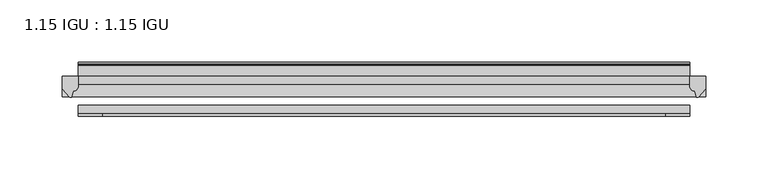
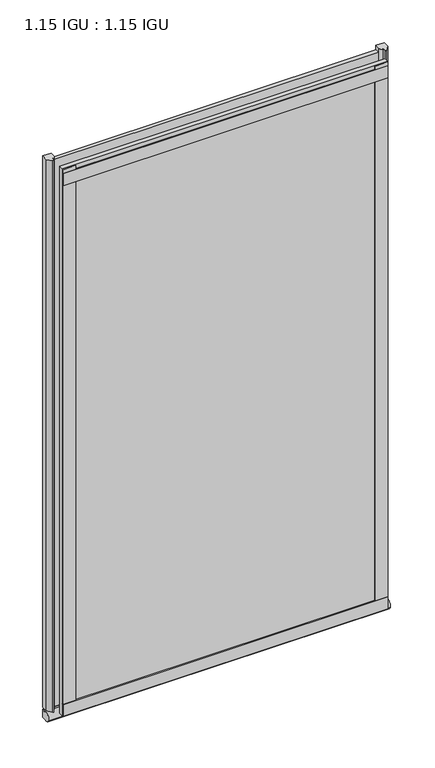
"""IFC4 building model written with IfcOpenShell, lengths in millimetres: plate geometry, 1.15 IGU : 1.15 IGU."""

from ifc_helpers import new_model, si_unit, point, frame, frame_2d, origin, place, context, project, spatial, polyline, circle_curve, ellipse_curve, trimmed, segment, composite_curve, outline, extrude, source, transform, mapped, element, save
from ifc_brep_helpers import plane_surface, revolved_surface, extruded_surface, advanced_brep


def plate_1_15_igu_1_15_igu_051d2c1e(model_context):
    return source(origin(), model_context, "Body", "SolidModel", [
        extrude(outline(polyline([(244.6555931, 0.0), (244.6555931, -6.2992), (-244.6555931, -6.2992), (-244.6555931, 0.0), (244.6555931, 0.0)])), frame((0.0, 0.0, -19.05), z_axis=(0.0, 0.0, 1.0), x_axis=(1.0, 0.0, 0.0)), (0.0, 0.0, 1.0), 869.9368072),
        extrude(outline(polyline([(-244.6555931, -23.1648), (244.6555931, -23.1648), (244.6555931, -29.464), (-244.6555931, -29.464), (-244.6555931, -23.1648)])), frame((0.0, 0.0, -19.05), z_axis=(0.0, 0.0, 1.0), x_axis=(1.0, 0.0, 0.0)), (0.0, 0.0, 1.0), 869.9368072),
        advanced_brep(
        [(257.3555931, -2.9334208, -29.3692082), (257.3555931, -15.7658436, -30.8313288), (257.3555931, -6.7904952, -34.925), (257.3555931, 0.0, -34.925), (257.3555931, 0.0, -22.225), (257.3555931, -2.5187477, -22.225), (-257.3555931, -2.9073519, -29.3720514), (-257.3555931, -2.5187477, -22.225), (-257.3555931, 0.0, -22.225), (-257.3555931, 0.0, -34.925), (-257.3555931, -6.7904952, -34.925), (-257.3555931, -15.7658436, -30.8313288)],
        [
            (0, 1, ellipse_curve(frame((257.3555931, -9.5065066, -28.575), z_axis=(1.0, 0.0, 0.0), x_axis=(0.0, 0.0, -1.0)), 6.9638038, 6.6162554)),
            (1, 2, ellipse_curve(frame((257.3555931, -9.5065066, -28.575), z_axis=(1.0, 0.0, 0.0), x_axis=(0.0, 0.0, -1.0)), 6.9638038, 6.6162554)),
            (2, 3),
            (3, 4, circle_curve(frame((257.3555931, 24.1576838, -28.575), z_axis=(-1.0, 0.0, 0.0), x_axis=(0.0, 0.0, 1.0)), 24.9783143)),
            (4, 5),
            (5, 0, circle_curve(frame((257.3555931, -68.4358767, -22.225), z_axis=(-1.0, 0.0, 0.0), x_axis=(0.0, 0.0, 1.0)), 65.917129)),
            (6, 7, circle_curve(frame((-257.3555931, -68.4358767, -22.225), z_axis=(1.0, 0.0, 0.0), x_axis=(0.0, 0.0, 1.0)), 65.917129)),
            (7, 8),
            (8, 9, circle_curve(frame((-257.3555931, 24.1576838, -28.575), z_axis=(1.0, 0.0, 0.0), x_axis=(0.0, 0.0, 1.0)), 24.9783143)),
            (9, 10),
            (10, 11, ellipse_curve(frame((-257.3555931, -9.5065066, -28.575), z_axis=(-1.0, 0.0, 0.0), x_axis=(0.0, 0.0, -1.0)), 6.9638038, 6.6162554)),
            (11, 6, ellipse_curve(frame((-257.3555931, -9.5065066, -28.575), z_axis=(-1.0, 0.0, 0.0), x_axis=(0.0, 0.0, -1.0)), 6.9638038, 6.6162554)),
            (0, 6),
            (11, 1),
            (10, 2),
            (9, 3),
            (8, 4),
            (7, 5),
        ],
        [
            plane_surface(frame((257.3555931, 0.0, -28.575), z_axis=(1.0, 0.0, 0.0), x_axis=(0.0, 1.0, 0.0))),
            plane_surface(frame((-257.3555931, 0.0, -28.575), z_axis=(-1.0, 0.0, 0.0), x_axis=(0.0, 1.0, 0.0))),
            extruded_surface(trimmed(ellipse_curve(frame((-257.3555931, -9.5065066, -28.575), z_axis=(1.0, 0.0, 0.0), x_axis=(0.0, 0.0, -1.0)), 6.9638038, 6.6162554), [point((-257.3555931, -2.9334208, -29.3692082))], [point((-257.3555931, -15.7658436, -30.8313288))], True, "CARTESIAN"), (514.7111862, 0.0, 0.0), 514.7111862),
            extruded_surface(trimmed(ellipse_curve(frame((-257.3555931, -9.5065066, -28.575), z_axis=(1.0, 0.0, 0.0), x_axis=(0.0, 0.0, -1.0)), 6.9638038, 6.6162554), [point((-257.3555931, -15.7658436, -30.8313288))], [point((-257.3555931, -6.7904952, -34.925))], True, "CARTESIAN"), (514.7111862, 0.0, 0.0), 514.7111862),
            plane_surface(frame((257.3555931, -6.7904952, -34.925), z_axis=(0.0, 0.0, -1.0), x_axis=(-1.0, 0.0, 0.0))),
            revolved_surface(polyline([(-257.3555931, 24.1576838, -3.5966856999999983), (257.3555931, 24.1576838, -3.5966856999999983)]), (257.3555931, 24.1576838, -28.575), (-1.0, 0.0, 0.0)),
            plane_surface(frame((257.3555931, 0.0, -22.225), z_axis=(0.0, 0.0, 1.0), x_axis=(-1.0, 0.0, 0.0))),
            revolved_surface(polyline([(-257.3555931, -68.4358767, 43.692129), (257.3555931, -68.4358767, 43.692129)]), (257.3555931, -68.4358767, -22.225), (-1.0, 0.0, 0.0)),
        ],
        [
            (0, [[1, 2, 3, 4, 5, 6]]),
            (1, [[7, 8, 9, 10, 11, 12]]),
            (2, [[-1, 13, -12, 14]]),
            (3, [[-2, -14, -11, 15]]),
            (4, [[-3, -15, -10, 16]]),
            (5, [[-4, -16, -9, 17]]),
            (6, [[-5, -17, -8, 18]]),
            (7, [[-6, -18, -7, -13]]),
        ],
    ),
        extrude(outline(composite_curve([segment(polyline([(257.3555931, 0.0), (257.3555931, -9.7395025), (251.7893622, -16.3730781)]), True, "CONTINUOUS"), segment(trimmed(circle_curve(frame_2d((250.8356872, -15.7728374)), 1.1268473), [point((251.7893622, -16.3730781))], [point((249.7347343, -16.0130197))], False, "CARTESIAN"), True, "CONTINUOUS"), segment(polyline([(249.7347343, -16.0130197), (248.7545428, -11.7377885)]), True, "CONTINUOUS"), segment(trimmed(circle_curve(frame_2d((248.627091, -7.7683362)), 3.9714979), [point((248.7545428, -11.7377885))], [point((244.6557717, -7.8060014))], False, "CARTESIAN"), True, "CONTINUOUS"), segment(polyline([(244.6557717, -7.8060014), (244.6557717, 0.0), (257.3555931, 0.0)]), True, "CONTINUOUS")], self_intersect=False)), frame((0.0, 0.0, -19.05), z_axis=(0.0, 0.0, 1.0), x_axis=(1.0, 0.0, 0.0)), (0.0, 0.0, 1.0), 877.0742072),
        extrude(outline(composite_curve([segment(polyline([(-244.6555931, 8.8e-06), (-244.6555931, -7.7683362)]), True, "CONTINUOUS"), segment(trimmed(circle_curve(frame_2d((-248.627091, -7.7683362)), 3.9714979), [point((-244.6555931, -7.7683362))], [point((-248.7545428, -11.7377885))], False, "CARTESIAN"), True, "CONTINUOUS"), segment(polyline([(-248.7545428, -11.7377885), (-249.7345773, -16.012436)]), True, "CONTINUOUS"), segment(trimmed(circle_curve(frame_2d((-250.8357864, -15.7723555)), 1.1270758), [point((-249.7345773, -16.012436))], [point((-251.7896258, -16.372764))], False, "CARTESIAN"), True, "CONTINUOUS"), segment(polyline([(-251.7896258, -16.372764), (-257.3555931, -9.7395025), (-257.3555931, 8.8e-06), (-244.6555931, 8.8e-06)]), True, "CONTINUOUS")], self_intersect=False)), frame((0.0, 0.0, -19.05), z_axis=(0.0, 0.0, 1.0), x_axis=(1.0, 0.0, 0.0)), (0.0, 0.0, 1.0), 877.0742072),
        extrude(outline(polyline([(-244.6555931, -31.75), (-244.6555931, -29.464), (244.6555931, -29.464), (244.6555931, -31.75), (-244.6555931, -31.75)])), frame((0.0, 0.0, -19.05), z_axis=(0.0, 0.0, 1.0), x_axis=(1.0, 0.0, 0.0)), (0.0, 0.0, 1.0), 19.05),
        extrude(outline(composite_curve([segment(polyline([(8.509, 840.7300284), (8.509, 838.6980284), (6.35, 838.6980284), (6.35, 833.3640284), (8.9492698, 833.3640284)]), True, "CONTINUOUS"), segment(trimmed(circle_curve(frame_2d((8.208689, 831.8368072)), 1.697311), [point((8.9492698, 833.3640284))], [point((8.962411, 830.3160284))], False, "CARTESIAN"), True, "CONTINUOUS"), segment(polyline([(8.962411, 830.3160284), (6.35, 830.3160284), (6.35, 825.4868072), (11.1252, 825.4868072), (11.1252, 824.5978072)]), True, "CONTINUOUS"), segment(trimmed(circle_curve(frame_2d((10.1092, 824.5978072)), 1.016), [point((11.1252, 824.5978072))], [point((10.1092, 823.5818072))], False, "CARTESIAN"), True, "CONTINUOUS"), segment(trimmed(circle_curve(frame_2d((10.1092, 804.1707318)), 19.4110754), [point((10.1092, 823.5818072))], [point((0.0, 820.7416075))], True, "CARTESIAN"), True, "CONTINUOUS"), segment(polyline([(0.0, 820.7416075), (0.0, 840.7300284), (8.509, 840.7300284)]), True, "CONTINUOUS")], self_intersect=False)), frame((-244.6555931, 0.0, 0.0), z_axis=(1.0, 0.0, 0.0), x_axis=(0.0, 1.0, 0.0)), (0.0, 0.0, 1.0), 489.3111861),
        extrude(outline(polyline([(-244.6555931, -31.75), (-244.6555931, -29.464), (244.6555931, -29.464), (244.6555931, -31.75), (-244.6555931, -31.75)])), frame((0.0, 0.0, 825.4868072), z_axis=(0.0, 0.0, 1.0), x_axis=(1.0, 0.0, 0.0)), (0.0, 0.0, 1.0), 19.05),
        extrude(outline(polyline([(225.6055931, -29.464), (244.6555931, -29.464), (244.6555931, -31.75), (225.6055931, -31.75), (225.6055931, -29.464)])), frame((0.0, 0.0, -19.05), z_axis=(0.0, 0.0, 1.0), x_axis=(1.0, 0.0, 0.0)), (0.0, 0.0, 1.0), 869.9368072),
        extrude(outline(polyline([(-244.6555931, -31.75), (-244.6555931, -29.464), (-225.6055931, -29.464), (-225.6055931, -31.75), (-244.6555931, -31.75)])), frame((0.0, 0.0, -19.05), z_axis=(0.0, 0.0, 1.0), x_axis=(1.0, 0.0, 0.0)), (0.0, 0.0, 1.0), 869.9368072),
    ])


if __name__ == "__main__":
    model = new_model("IFC4")
    model_context = context("Model", 3, world=origin())
    ifc_project = project(units=[si_unit("LENGTHUNIT", "METRE", prefix="MILLI")], contexts=[model_context])
    site = spatial("IfcSite", under=ifc_project)
    building = spatial("IfcBuilding", under=site)
    placement = place(None, origin())
    plate_1_15_igu_1_15_igu_shape = plate_1_15_igu_1_15_igu_051d2c1e(model_context)
    element("IfcPlate", 1, ObjectType="1.15 IGU : 1.15 IGU", at=placement, inside=building, context=model_context, shape_type="MappedRepresentation", body=[
        mapped(plate_1_15_igu_1_15_igu_shape, transform((0.0, 0.0, 0.0), x_axis=(1.0, 0.0, 0.0), y_axis=(0.0, 1.0, 0.0), z_axis=(0.0, 0.0, 1.0))),
    ])
    save(model, "model.ifc")
